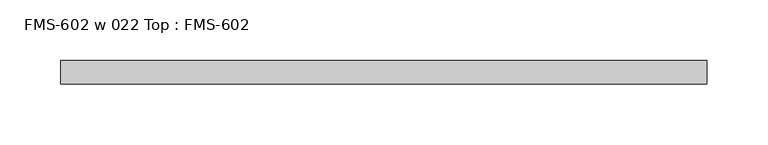
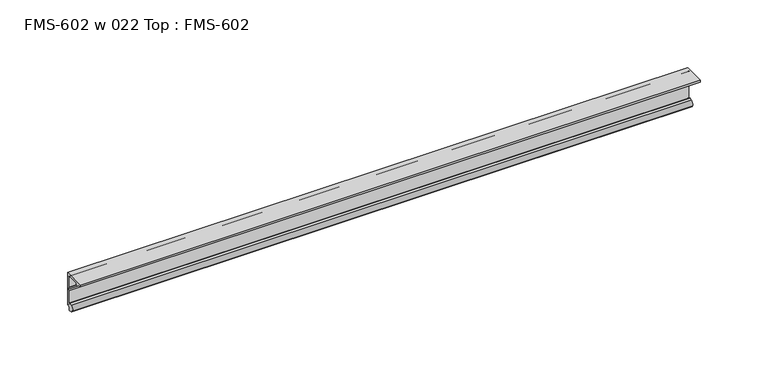
"""IFC4 building model written with IfcOpenShell, lengths in millimetres: proxy geometry, FMS-602 w 022 Top : FMS-602."""

from ifc_helpers import new_model, si_unit, point, frame, frame_2d, origin, place, context, project, spatial, polyline, circle_curve, trimmed, segment, composite_curve, outline, extrude, source, transform, mapped, element, save


def fms_602_w_022_top_fms_602_098ca94b(model_context):
    return source(origin(), model_context, "Body", "SweptSolid", [
        extrude(outline(composite_curve([segment(trimmed(circle_curve(frame_2d((-4.5018192, 3.4822846)), 3.048), [point((-5.4099313, 0.5727079))], [point((-7.1037699, 1.8947846))], False, "CARTESIAN"), True, "CONTINUOUS"), segment(trimmed(circle_curve(frame_2d((-4.5018192, 3.4822846)), 3.048), [point((-7.1037699, 1.8947846))], [point((-5.4099313, 6.3918613))], False, "CARTESIAN"), True, "CONTINUOUS"), segment(polyline([(-5.4099313, 6.3918613), (-3.6135887, 6.9525203)]), True, "CONTINUOUS"), segment(trimmed(circle_curve(frame_2d((-3.4254762, 6.413819)), 0.5706009), [point((-3.6135887, 6.9525203))], [point((-2.8720827, 6.2747467))], False, "CARTESIAN"), True, "CONTINUOUS"), segment(trimmed(circle_curve(frame_2d((-2.1330622, 6.0890248)), 0.762), [point((-2.8720827, 6.2747467))], [point((-2.1123834, 5.3273054))], True, "CARTESIAN"), True, "CONTINUOUS"), segment(trimmed(circle_curve(frame_2d((-2.0955, 5.8350248)), 0.508), [point((-2.1123834, 5.3273054))], [point((-1.5875, 5.8350248))], True, "CARTESIAN"), True, "CONTINUOUS"), segment(polyline([(-1.5875, 5.8350248), (-1.5875, 17.0226368), (-1.0783361, 17.9400565), (-1.0783361, 19.2802172), (-1.5875, 20.1976368), (-1.5875, 29.1733387)]), True, "CONTINUOUS"), segment(trimmed(circle_curve(frame_2d((-3.4925, 29.1733387)), 1.905), [point((-1.5875, 29.1733387))], [point((-3.4926686, 31.0783387))], True, "CARTESIAN"), True, "CONTINUOUS"), segment(polyline([(-3.4926686, 31.0783387), (-12.6643694, 31.0867667)]), True, "CONTINUOUS"), segment(trimmed(circle_curve(frame_2d((-14.2518047, 31.1010982)), 1.5875), [point((-12.6643694, 31.0867667))], [point((-15.8393047, 31.1010982))], False, "CARTESIAN"), True, "CONTINUOUS"), segment(polyline([(-15.8393047, 31.1010982), (-19.05, 31.1010982), (-19.05, 32.6885982), (0.0, 32.6885982), (0.0, 3.5490248), (-1.3075622, 3.5490248)]), True, "CONTINUOUS"), segment(trimmed(circle_curve(frame_2d((-1.3075622, 1.9615248)), 1.5875), [point((-1.3075622, 3.5490248))], [point((-2.8950622, 1.9615248))], True, "CARTESIAN"), True, "CONTINUOUS"), segment(polyline([(-2.8950622, 1.9615248), (-2.8950622, 0.4199147)]), True, "CONTINUOUS"), segment(trimmed(circle_curve(frame_2d((-3.3646912, 0.4199147)), 0.4696291), [point((-2.8950622, 0.4199147))], [point((-3.5749842, 0.0))], False, "CARTESIAN"), True, "CONTINUOUS"), segment(polyline([(-3.5749842, 0.0), (-5.4099313, 0.5727079)]), True, "CONTINUOUS")], self_intersect=False)), frame((0.0, 0.0, 0.0), z_axis=(1.0, 0.0, 0.0), x_axis=(0.0, 1.0, 0.0)), (0.0, 0.0, 1.0), 530.225),
    ])


if __name__ == "__main__":
    model = new_model("IFC4")
    model_context = context("Model", 3, world=origin())
    ifc_project = project(units=[si_unit("LENGTHUNIT", "METRE", prefix="MILLI")], contexts=[model_context])
    site = spatial("IfcSite", under=ifc_project)
    building = spatial("IfcBuilding", under=site)
    placement = place(None, origin())
    fms_602_w_022_top_fms_602_shape = fms_602_w_022_top_fms_602_098ca94b(model_context)
    element("IfcBuildingElementProxy", 1, Name="FMS-602 w 022 Top : FMS-602", ObjectType="FMS-602 w 022 Top : FMS-602", at=placement, inside=building, context=model_context, shape_type="MappedRepresentation", body=[
        mapped(fms_602_w_022_top_fms_602_shape, transform((0.0, 0.0, 0.0), x_axis=(1.0, 0.0, 0.0), y_axis=(0.0, 1.0, 0.0), z_axis=(0.0, 0.0, 1.0))),
    ])
    save(model, "model.ifc")
